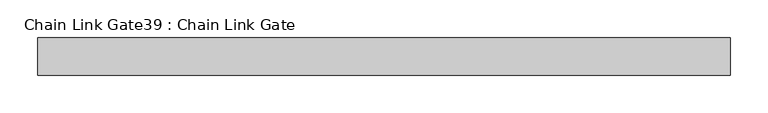
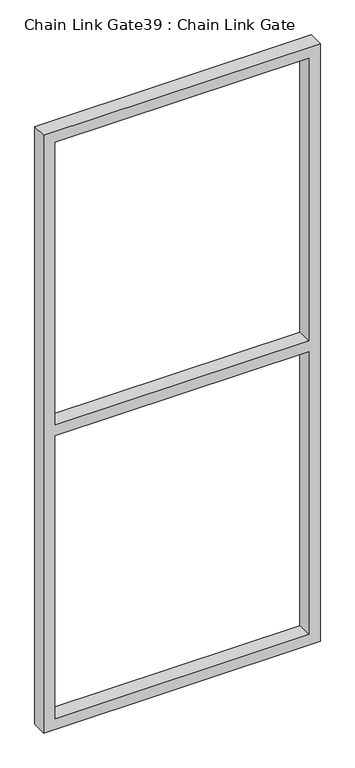
"""IFC4 building model written with IfcOpenShell, lengths in millimetres: proxy geometry, Chain Link Gate39 : Chain Link Gate."""

from ifc_helpers import new_model, si_unit, frame, origin, place, context, project, spatial, polyline, outline, extrude, source, transform, mapped, element, save


def chain_link_gate39_chain_link_gate_7c5a5c84(model_context):
    return source(origin(), model_context, "Body", "SweptSolid", [
        extrude(outline(polyline([(2120.9, -5864.2348205), (2120.9, -6788.1598205), (12.7, -6788.1598205), (12.7, -5864.2348205), (2120.9, -5864.2348205)]), holes=[polyline([(2082.8, -5902.3348205), (1085.85, -5902.3348205), (1085.85, -6750.0598205), (2082.8, -6750.0598205), (2082.8, -5902.3348205)]), polyline([(1047.75, -6750.0598205), (1047.75, -5902.3348205), (50.8, -5902.3348205), (50.8, -6750.0598205), (1047.75, -6750.0598205)])]), frame((0.0, -5842.957317, 0.0), z_axis=(0.0, 1.0, 0.0), x_axis=(0.0, 0.0, 1.0)), (0.0, 0.0, 1.0), 50.1314753),
    ])


if __name__ == "__main__":
    model = new_model("IFC4")
    model_context = context("Model", 3, world=origin())
    ifc_project = project(units=[si_unit("LENGTHUNIT", "METRE", prefix="MILLI")], contexts=[model_context])
    site = spatial("IfcSite", under=ifc_project)
    building = spatial("IfcBuilding", under=site)
    placement = place(None, origin())
    chain_link_gate39_chain_link_gate_shape = chain_link_gate39_chain_link_gate_7c5a5c84(model_context)
    element("IfcBuildingElementProxy", 1, Name="Chain Link Gate39 : Chain Link Gate", ObjectType="Chain Link Gate39 : Chain Link Gate", at=placement, inside=building, context=model_context, shape_type="MappedRepresentation", body=[
        mapped(chain_link_gate39_chain_link_gate_shape, transform((0.0, 0.0, 0.0), x_axis=(1.0, 0.0, 0.0), y_axis=(0.0, 1.0, 0.0), z_axis=(0.0, 0.0, 1.0))),
    ])
    save(model, "model.ifc")
